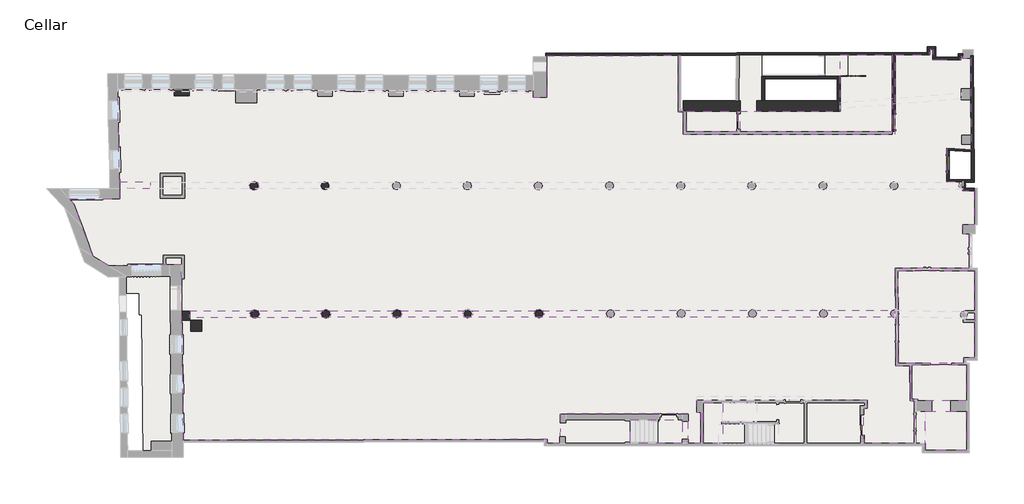
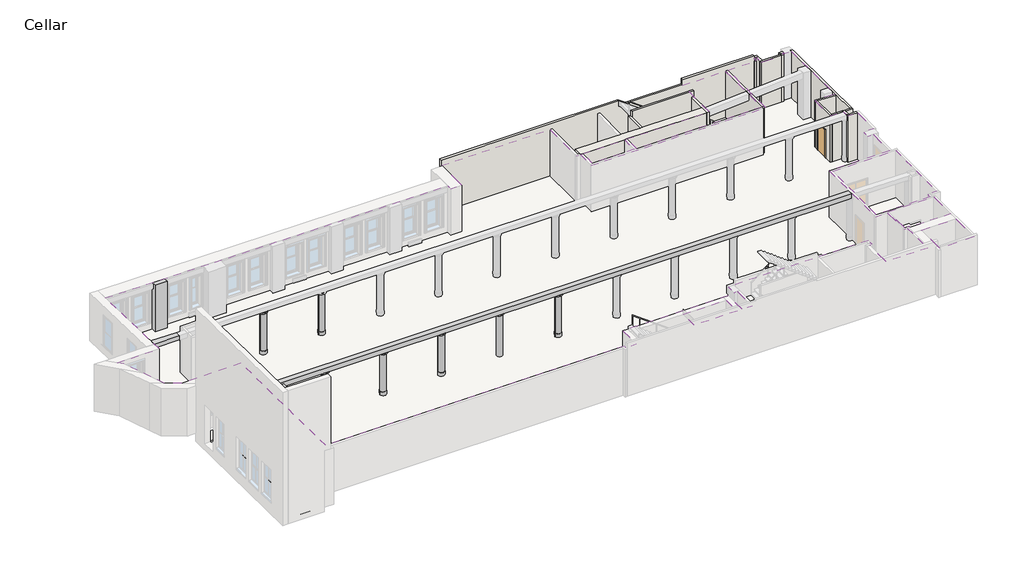
# One storey, part 3 of 6: 22 columns, 19 walls, 7 coverings, 7 slabs, 2 beams, 2 doors.
"""IFC4 building model written with IfcOpenShell, lengths in millimetres."""

import ifcopenshell
import ifcopenshell.guid

model = None  # the IFC model being written
_history = None  # IfcOwnerHistory: only IFC2X3 demands one
_inside = {}  # id of a spatial element -> (the spatial element, [elements in it])
_under = {}  # id of a project, library or spatial element -> (it, [spatial elements below it])
_declared = {}  # id of a project -> (the project, [libraries it declares])
_typed = {}  # id of a type object -> (the type object, [elements of that type])
_made_of = {}  # id of a material, layer set ... -> (it, [elements and type objects made of it])


def new_model(schema):
    """Start an empty IFC model of exactly this schema.

    Asked for "IFC4X3", IfcOpenShell would pick the latest addendum, in which some entities
    have other attributes; the version numbers below select the first issue.
    IFC2X3 requires an IfcOwnerHistory on every rooted entity: one is made here for all.
    """
    global model, _history
    if schema == "IFC4X3":
        model = ifcopenshell.file(schema_version=(4, 3, 0, 0))
    else:
        model = ifcopenshell.file(schema=schema)
    _inside.clear()
    _under.clear()
    _declared.clear()
    _typed.clear()
    _made_of.clear()
    _history = None
    if model.schema == "IFC2X3":
        org = make("IfcOrganization", Name="unknown")
        user = make(
            "IfcPersonAndOrganization",
            ThePerson=make("IfcPerson", FamilyName="unknown"),
            TheOrganization=org,
        )
        app = make(
            "IfcApplication",
            ApplicationDeveloper=org,
            Version="unknown",
            ApplicationFullName="unknown",
            ApplicationIdentifier="unknown",
        )
        _history = make(
            "IfcOwnerHistory",
            OwningUser=user,
            OwningApplication=app,
            ChangeAction="ADDED",
            CreationDate=0,
        )
    return model


def make(cls, **values):
    """One entity of the class cls with the attributes given. An attribute that is None is left unset."""
    return model.create_entity(
        cls, **{name: value for name, value in values.items() if value is not None}
    )


def rooted(cls, **values):
    """An entity with a GlobalId (a new one), such as an element, a storey or a relation."""
    return make(cls, GlobalId=ifcopenshell.guid.new(), OwnerHistory=_history, **values)


def si_unit(unit_type, name, prefix=None):
    """IfcSIUnit, for example si_unit("LENGTHUNIT", "METRE", prefix="MILLI")."""
    return make("IfcSIUnit", UnitType=unit_type, Prefix=prefix, Name=name)


def assignment(units):
    """IfcUnitAssignment: the units of a project."""
    return None if units is None else make("IfcUnitAssignment", Units=units)


def point(xyz):
    """IfcCartesianPoint."""
    return None if xyz is None else make("IfcCartesianPoint", Coordinates=xyz)


def direction(xyz):
    """IfcDirection."""
    return None if xyz is None else make("IfcDirection", DirectionRatios=xyz)


def frame(location, z_axis=None, x_axis=None):
    """IfcAxis2Placement3D, a coordinate frame: its origin and axes. An axis left out is left unset."""
    return make(
        "IfcAxis2Placement3D",
        Location=point(location),
        Axis=direction(z_axis),
        RefDirection=direction(x_axis),
    )


def frame_2d(location, x_axis=None):
    """IfcAxis2Placement2D, a coordinate frame in the plane: its origin and x axis."""
    return make(
        "IfcAxis2Placement2D", Location=point(location), RefDirection=direction(x_axis)
    )


def origin():
    """The frame at (0, 0, 0) with its axes left unset."""
    return frame((0.0, 0.0, 0.0))


def origin_with_axes():
    """The frame at (0, 0, 0) with the z axis (0, 0, 1) and the x axis (1, 0, 0) written out."""
    return frame((0.0, 0.0, 0.0), z_axis=(0.0, 0.0, 1.0), x_axis=(1.0, 0.0, 0.0))


def origin_2d():
    """The frame at (0, 0) in the plane with its x axis left unset."""
    return frame_2d((0.0, 0.0))


def place(relative_to, where):
    """IfcLocalPlacement: puts the frame where relative to a parent placement (None: the world)."""
    return make(
        "IfcLocalPlacement", PlacementRelTo=relative_to, RelativePlacement=where
    )


def context(
    kind, dimensions, precision=None, world=None, true_north=None, identifier=None
):
    """IfcGeometricRepresentationContext, for example the 3D "Model" context."""
    return make(
        "IfcGeometricRepresentationContext",
        ContextIdentifier=identifier,
        ContextType=kind,
        CoordinateSpaceDimension=dimensions,
        Precision=precision,
        WorldCoordinateSystem=world,
        TrueNorth=true_north,
    )


def project(units=None, contexts=None):
    """IfcProject with its units and contexts."""
    return rooted(
        "IfcProject",
        Name="project",
        RepresentationContexts=contexts,
        UnitsInContext=assignment(units),
    )


def spatial(cls, under=None, at=None, **own):
    """A site, building, storey or space (cls), placed at a placement, below another one or the project."""
    s = rooted(cls, ObjectPlacement=at, **own)
    if under is not None:
        _under.setdefault(under.id(), (under, []))[1].append(s)
    return s


def polyline(points):
    """IfcPolyline through the points."""
    return make("IfcPolyline", Points=[point(p) for p in points])


def circle_curve(where, radius):
    """IfcCircle in the frame where."""
    return make("IfcCircle", Position=where, Radius=radius)


def trimmed(basis, trim1, trim2, sense, master):
    """IfcTrimmedCurve: the piece of a basis curve between two trims."""
    return make(
        "IfcTrimmedCurve",
        BasisCurve=basis,
        Trim1=trim1,
        Trim2=trim2,
        SenseAgreement=sense,
        MasterRepresentation=master,
    )


def segment(curve, same_sense, transition):
    """IfcCompositeCurveSegment."""
    return make(
        "IfcCompositeCurveSegment",
        Transition=transition,
        SameSense=same_sense,
        ParentCurve=curve,
    )


def composite_curve(segments, self_intersect=None):
    """IfcCompositeCurve: segments joined end to end."""
    return make("IfcCompositeCurve", Segments=segments, SelfIntersect=self_intersect)


def outline(outer, holes=None, kind="AREA"):
    """IfcArbitraryClosedProfileDef: a profile drawn as a closed curve; with holes, ...WithVoids."""
    if holes is None:
        return make("IfcArbitraryClosedProfileDef", ProfileType=kind, OuterCurve=outer)
    return make(
        "IfcArbitraryProfileDefWithVoids",
        ProfileType=kind,
        OuterCurve=outer,
        InnerCurves=holes,
    )


def extrude(swept, where, along, depth):
    """IfcExtrudedAreaSolid: the profile swept, set in the frame where, extruded along a direction by depth."""
    return make(
        "IfcExtrudedAreaSolid",
        SweptArea=swept,
        Position=where,
        ExtrudedDirection=direction(along),
        Depth=depth,
    )


def faces_of(points, faces, orient=None, outer=None):
    """IfcFace entities. A face is a list of loops; a loop is a list of indices into points, from 0.

    orient and outer hold one flag for each loop. By default every Orientation is true, the
    first loop of a face is its IfcFaceOuterBound and the others are IfcFaceBound.
    """
    made = []
    for i, loops in enumerate(faces):
        bounds = []
        for j, loop in enumerate(loops):
            is_outer = j == 0 if outer is None else outer[i][j]
            bounds.append(
                make(
                    "IfcFaceOuterBound" if is_outer else "IfcFaceBound",
                    Bound=make("IfcPolyLoop", Polygon=[points[k] for k in loop]),
                    Orientation=True if orient is None else orient[i][j],
                )
            )
        made.append(make("IfcFace", Bounds=bounds))
    return made


def faceted_brep(points, faces, orient=None, outer=None, voids=None):
    """IfcFacetedBrep: a solid bounded by flat faces; with voids (closed shells), ...WithVoids."""
    shared = [point(p) for p in points]
    hull = make("IfcClosedShell", CfsFaces=faces_of(shared, faces, orient, outer))
    if voids is None:
        return make("IfcFacetedBrep", Outer=hull)
    return make(
        "IfcFacetedBrepWithVoids",
        Outer=hull,
        Voids=[
            make(cls, CfsFaces=faces_of(shared, fs, o, b)) for cls, fs, o, b in voids
        ],
    )


def shape(context_of_items, identifier, shape_type, items):
    """IfcShapeRepresentation: the items that make up one representation, for example the "Body"."""
    return make(
        "IfcShapeRepresentation",
        ContextOfItems=context_of_items,
        RepresentationIdentifier=identifier,
        RepresentationType=shape_type,
        Items=items,
    )


def source(mapping_origin, context_of_items, identifier, shape_type, items):
    """IfcRepresentationMap: a shape defined once, which mapped items show again and again."""
    return make(
        "IfcRepresentationMap",
        MappingOrigin=mapping_origin,
        MappedRepresentation=shape(context_of_items, identifier, shape_type, items),
    )


def transform(
    local_origin,
    x_axis=None,
    y_axis=None,
    z_axis=None,
    scale=None,
    scale2=None,
    scale3=None,
    uniform=True,
):
    """IfcCartesianTransformationOperator3D, or its non-uniform kind. x_axis, y_axis, z_axis: its Axis1, 2, 3."""
    if uniform:
        return make(
            "IfcCartesianTransformationOperator3D",
            Axis1=direction(x_axis),
            Axis2=direction(y_axis),
            LocalOrigin=point(local_origin),
            Scale=scale,
            Axis3=direction(z_axis),
        )
    return make(
        "IfcCartesianTransformationOperator3DnonUniform",
        Axis1=direction(x_axis),
        Axis2=direction(y_axis),
        LocalOrigin=point(local_origin),
        Scale=scale,
        Axis3=direction(z_axis),
        Scale2=scale2,
        Scale3=scale3,
    )


def mapped(mapping_source, mapping_target):
    """IfcMappedItem: shows the shape of a source again, moved by a transform."""
    return make(
        "IfcMappedItem", MappingSource=mapping_source, MappingTarget=mapping_target
    )


def made_of(thing, what):
    """Note that an element or type object is made of a material, layer set ...; save() writes the relation."""
    if what is not None:
        _made_of.setdefault(what.id(), (what, []))[1].append(thing)
    return thing


def element(
    cls,
    number,
    at=None,
    inside=None,
    cuts=None,
    type_object=None,
    material=None,
    context=None,
    identifier="Body",
    shape_type=None,
    held_by="IfcProductDefinitionShape",
    body=None,
    shapes=None,
    **own,
):
    """One element of the class cls, such as IfcWall. Its Tag is "e" and its number.

    at: its placement. inside: the storey or other place that contains it. cuts: it is an
    opening in that element (IfcRelVoidsElement). A single representation is given by context,
    identifier, shape_type and body (its items); several are given by shapes. held_by: the class
    of the entity that holds the representations. save() writes the other relations.
    """
    e = rooted(cls, Tag="e%d" % number, ObjectPlacement=at, **own)
    if body is not None:
        shapes = [shape(context, identifier, shape_type, body)]
    if shapes is not None:
        e.Representation = make(held_by, Representations=shapes)
    if inside is not None:
        _inside.setdefault(inside.id(), (inside, []))[1].append(e)
    if cuts is not None:
        rooted(
            "IfcRelVoidsElement", RelatingBuildingElement=cuts, RelatedOpeningElement=e
        )
    if type_object is not None:
        _typed.setdefault(type_object.id(), (type_object, []))[1].append(e)
    return made_of(e, material)


def aggregate(whole, parts):
    """IfcRelAggregates: a whole, such as a stair, and the parts it consists of."""
    return rooted("IfcRelAggregates", RelatingObject=whole, RelatedObjects=parts)


def save(model, path):
    """Write the relations noted so far, then the file.

    IfcRelAggregates (storeys below a building ...), IfcRelContainedInSpatialStructure (elements
    in a storey), IfcRelDefinesByType, IfcRelAssociatesMaterial and IfcRelDeclares: one each for
    every whole, place, type object, material and project.
    """
    for whole, parts in _under.values():
        aggregate(whole, parts)
    for where, things in _inside.values():
        rooted(
            "IfcRelContainedInSpatialStructure",
            RelatedElements=things,
            RelatingStructure=where,
        )
    for kind, things in _typed.values():
        rooted("IfcRelDefinesByType", RelatedObjects=things, RelatingType=kind)
    for what, things in _made_of.values():
        rooted("IfcRelAssociatesMaterial", RelatedObjects=things, RelatingMaterial=what)
    for by, libraries in _declared.values():
        rooted("IfcRelDeclares", RelatingContext=by, RelatedDefinitions=libraries)
    model.write(path)


def column_b42b21a2(model_context):
    return source(origin(), model_context, "Body", "SweptSolid", [
        extrude(outline(composite_curve([segment(trimmed(circle_curve(origin_2d(), 215.9), [point((215.9, 0.0))], [point((-215.9, 0.0))], False, "CARTESIAN"), True, "CONTINUOUS"), segment(trimmed(circle_curve(origin_2d(), 215.9), [point((-215.9, 0.0))], [point((0.0, 215.9))], False, "CARTESIAN"), True, "CONTINUOUS"), segment(trimmed(circle_curve(origin_2d(), 215.9), [point((0.0, 215.9))], [point((215.9, 0.0))], False, "CARTESIAN"), True, "CONTINUOUS")], self_intersect=False)), frame((0.0, 0.0, -4064.0), z_axis=(0.0, 0.0, 1.0), x_axis=(1.0, 0.0, 0.0)), (0.0, 0.0, 1.0), 3225.8),
    ])


def column_76fc2f22(model_context):
    return source(origin(), model_context, "Body", "SweptSolid", [
        extrude(outline(composite_curve([segment(trimmed(circle_curve(origin_2d(), 241.3), [point((241.3, 0.0))], [point((-241.3, 0.0))], False, "CARTESIAN"), True, "CONTINUOUS"), segment(trimmed(circle_curve(origin_2d(), 241.3), [point((-241.3, 0.0))], [point((0.0, 241.3))], False, "CARTESIAN"), True, "CONTINUOUS"), segment(trimmed(circle_curve(origin_2d(), 241.3), [point((0.0, 241.3))], [point((241.3, 0.0))], False, "CARTESIAN"), True, "CONTINUOUS")], self_intersect=False)), frame((0.0, 0.0, -4064.0), z_axis=(0.0, 0.0, 1.0), x_axis=(1.0, 0.0, 0.0)), (0.0, 0.0, 1.0), 279.4),
    ])


def column_56c0cdb6(model_context):
    return source(origin(), model_context, "Body", "SweptSolid", [
        extrude(outline(composite_curve([segment(trimmed(circle_curve(origin_2d(), 292.1), [point((292.1, 0.0))], [point((-292.1, 0.0))], False, "CARTESIAN"), True, "CONTINUOUS"), segment(trimmed(circle_curve(origin_2d(), 292.1), [point((-292.1, 0.0))], [point((0.0, 292.1))], False, "CARTESIAN"), True, "CONTINUOUS"), segment(trimmed(circle_curve(origin_2d(), 292.1), [point((0.0, 292.1))], [point((292.1, 0.0))], False, "CARTESIAN"), True, "CONTINUOUS")], self_intersect=False)), frame((0.0, 0.0, -914.4), z_axis=(0.0, 0.0, 1.0), x_axis=(1.0, 0.0, 0.0)), (0.0, 0.0, 1.0), 76.2),
    ])


def door_a1797ceb(model_context):
    return source(origin(), model_context, "Body", "SweptSolid", [
        extrude(outline(polyline([(2209.8, -533.4), (0.0, -533.4), (0.0, -457.2), (2133.6, -457.2), (2133.6, 457.2), (0.0, 457.2), (0.0, 533.4), (2209.8, 533.4), (2209.8, -533.4)])), frame((0.0, 63.5, 0.0), z_axis=(0.0, 1.0, 0.0), x_axis=(0.0, 0.0, 1.0)), (0.0, 0.0, 1.0), 25.4),
        extrude(outline(polyline([(2209.8, 533.4), (2209.8, -533.4), (0.0, -533.4), (0.0, -457.2), (2133.6, -457.2), (2133.6, 457.2), (0.0, 457.2), (0.0, 533.4), (2209.8, 533.4)])), frame((0.0, -88.9, 0.0), z_axis=(0.0, 1.0, 0.0), x_axis=(0.0, 0.0, 1.0)), (0.0, 0.0, 1.0), 25.4),
        extrude(outline(polyline([(457.2, 12.7), (-457.2, 12.7), (-457.2, 63.5), (457.2, 63.5), (457.2, 12.7)])), origin_with_axes(), (0.0, 0.0, 1.0), 2133.6),
    ])


def door_d7907053(model_context):
    return source(origin(), model_context, "Body", "SweptSolid", [
        extrude(outline(polyline([(2209.8, -533.4), (0.0, -533.4), (0.0, -457.2), (2133.6, -457.2), (2133.6, 457.2), (0.0, 457.2), (0.0, 533.4), (2209.8, 533.4), (2209.8, -533.4)])), frame((0.0, -111.125, 0.0), z_axis=(0.0, 1.0, 0.0), x_axis=(0.0, 0.0, 1.0)), (0.0, 0.0, 1.0), 25.4),
        extrude(outline(polyline([(2209.8, 533.4), (2209.8, -533.4), (0.0, -533.4), (0.0, -457.2), (2133.6, -457.2), (2133.6, 457.2), (0.0, 457.2), (0.0, 533.4), (2209.8, 533.4)])), frame((0.0, 85.725, 0.0), z_axis=(0.0, 1.0, 0.0), x_axis=(0.0, 0.0, 1.0)), (0.0, 0.0, 1.0), 25.4),
        extrude(outline(polyline([(457.2, -34.925), (457.2, -85.725), (-457.2, -85.725), (-457.2, -34.925), (457.2, -34.925)])), origin_with_axes(), (0.0, 0.0, 1.0), 2133.6),
    ])


model = new_model("IFC4")

# Units and contexts
model_context = context("Model", 3, world=origin())
ifc_project = project(units=[si_unit("LENGTHUNIT", "METRE", prefix="MILLI")], contexts=[model_context])

# Site, building, storey
site = spatial("IfcSite", under=ifc_project)
building = spatial("IfcBuilding", under=site)
storey = spatial("IfcBuildingStorey", under=building, Name="Cellar", Elevation=-4064.0)

# Beams
placement = place(None, origin())
element("IfcBeam", 1, ObjectType="Concrete-Rectangular Beam : 16 x 12", at=placement, inside=storey, context=model_context, shape_type="SweptSolid", body=[
    extrude(outline(polyline([(4804.4159179, 16980.2878493), (4801.1147074, 16573.8892701), (2974.707388, 16602.7550584), (2981.1296091, 17009.104311), (4804.4159179, 16980.2878493)])), frame((0.0, 0.0, -812.8), z_axis=(0.0, 0.0, 1.0), x_axis=(1.0, 0.0, 0.0)), (0.0, 0.0, 1.0), 304.8),
])
element("IfcBeam", 2, ObjectType="Concrete-Rectangular Beam : 16 x 13", at=placement, inside=storey, context=model_context, shape_type="SweptSolid", body=[
    extrude(outline(polyline([(49031.9695039, 9356.6919522), (49028.5569255, 8950.2896128), (7144.6754302, 8922.6630379), (7144.4073692, 9329.0629495), (49031.9695039, 9356.6919522)])), frame((0.0, 0.0, -838.2), z_axis=(0.0, 0.0, 1.0), x_axis=(1.0, 0.0, 0.0)), (0.0, 0.0, 1.0), 330.2),
])

# Columns
element("IfcColumn", 3, ObjectType="Rectangular Column : 14.25\" x 34\"", at=placement, inside=storey, context=model_context, shape_type="SweptSolid", body=[
    extrude(outline(polyline([(7099.4608211, 22116.2885071), (6235.8608211, 22116.2885071), (6235.8608211, 22478.2385071), (7099.4608211, 22474.8721722), (7099.4608211, 22116.2885071)])), frame((0.0, 0.0, -4121.15), z_axis=(0.0, 0.0, 1.0), x_axis=(1.0, 0.0, 0.0)), (0.0, 0.0, 1.0), 3613.15),
])
element("IfcColumn", 4, ObjectType="Rectangular Column : 18.5\" x 21\"", at=placement, inside=storey, context=model_context, shape_type="SweptSolid", body=[
    extrude(outline(polyline([(6673.942343, 9289.726389), (7143.842343, 9289.726389), (7143.842343, 8756.326389), (6673.942343, 8756.326389), (6673.942343, 9289.726389)])), frame((0.0, 0.0, -4121.15), z_axis=(0.0, 0.0, 1.0), x_axis=(1.0, 0.0, 0.0)), (0.0, 0.0, 1.0), 3613.15),
])
element("IfcColumn", 5, ObjectType="Rectangular Column : 26\" x 26\"", at=placement, inside=storey, context=model_context, shape_type="SweptSolid", body=[
    extrude(outline(polyline([(7200.7168981, 8779.2998437), (7861.1168981, 8779.2998437), (7861.1168981, 8118.8998437), (7200.7168981, 8118.8998437), (7200.7168981, 8779.2998437)])), frame((0.0, 0.0, -4121.15), z_axis=(0.0, 0.0, 1.0), x_axis=(1.0, 0.0, 0.0)), (0.0, 0.0, 1.0), 3613.15),
])
column_shape = column_b42b21a2(model_context)
element("IfcColumn", 6, ObjectType="Round Column : 17\" Diameter", at=placement, inside=storey, context=model_context, shape_type="MappedRepresentation", body=[
    mapped(column_shape, transform((27904.6917127, 9154.2246015, 0.0), x_axis=(1.0, 0.0, 0.0), y_axis=(0.0, 1.0, 0.0), z_axis=(0.0, 0.0, 1.0))),
])
element("IfcColumn", 7, ObjectType="Round Column : 17\" Diameter", at=placement, inside=storey, context=model_context, shape_type="MappedRepresentation", body=[
    mapped(column_shape, transform((23669.2417127, 9157.7636509, 0.0), x_axis=(1.0, 0.0, 0.0), y_axis=(0.0, 1.0, 0.0), z_axis=(0.0, 0.0, 1.0))),
])
element("IfcColumn", 8, ObjectType="Round Column : 17\" Diameter", at=placement, inside=storey, context=model_context, shape_type="MappedRepresentation", body=[
    mapped(column_shape, transform((19452.8417127, 9149.1389013, 0.0), x_axis=(1.0, 0.0, 0.0), y_axis=(0.0, 1.0, 0.0), z_axis=(0.0, 0.0, 1.0))),
])
element("IfcColumn", 9, ObjectType="Round Column : 17\" Diameter", at=placement, inside=storey, context=model_context, shape_type="MappedRepresentation", body=[
    mapped(column_shape, transform((15230.0917127, 9141.0446491, 0.0), x_axis=(1.0, 0.0, 0.0), y_axis=(0.0, 1.0, 0.0), z_axis=(0.0, 0.0, 1.0))),
])
element("IfcColumn", 10, ObjectType="Round Column : 17\" Diameter", at=placement, inside=storey, context=model_context, shape_type="MappedRepresentation", body=[
    mapped(column_shape, transform((11000.9917127, 9138.7136509, 0.0), x_axis=(1.0, 0.0, 0.0), y_axis=(0.0, 1.0, 0.0), z_axis=(0.0, 0.0, 1.0))),
])
element("IfcColumn", 11, ObjectType="Round Column : 17\" Diameter", at=placement, inside=storey, context=model_context, shape_type="MappedRepresentation", body=[
    mapped(column_shape, transform((15179.2917127, 16752.3636509, 0.0), x_axis=(1.0, 0.0, 0.0), y_axis=(0.0, 1.0, 0.0), z_axis=(0.0, 0.0, 1.0))),
])
element("IfcColumn", 12, ObjectType="Round Column : 17\" Diameter", at=placement, inside=storey, context=model_context, shape_type="MappedRepresentation", body=[
    mapped(column_shape, transform((10962.8917127, 16752.3636509, 0.0), x_axis=(1.0, 0.0, 0.0), y_axis=(0.0, 1.0, 0.0), z_axis=(0.0, 0.0, 1.0))),
])
element("IfcColumn", 13, ObjectType="Round Column : 19\" Diameter", at=placement, inside=storey, context=model_context, shape_type="SweptSolid", body=[
    extrude(outline(composite_curve([segment(trimmed(circle_curve(frame_2d((15179.2917127, 16752.3636509)), 241.3), [point((15420.5917127, 16752.3636509))], [point((14937.9917127, 16752.3636509))], False, "CARTESIAN"), True, "CONTINUOUS"), segment(trimmed(circle_curve(frame_2d((15179.2917127, 16752.3636509)), 241.3), [point((14937.9917127, 16752.3636509))], [point((15179.2917127, 16993.6636509))], False, "CARTESIAN"), True, "CONTINUOUS"), segment(trimmed(circle_curve(frame_2d((15179.2917127, 16752.3636509)), 241.3), [point((15179.2917127, 16993.6636509))], [point((15420.5917127, 16752.3636509))], False, "CARTESIAN"), True, "CONTINUOUS")], self_intersect=False)), frame((0.0, 0.0, -4064.0), z_axis=(0.0, 0.0, 1.0), x_axis=(1.0, 0.0, 0.0)), (0.0, 0.0, 1.0), 279.4),
])
element("IfcColumn", 14, ObjectType="Round Column : 19\" Diameter", at=placement, inside=storey, context=model_context, shape_type="SweptSolid", body=[
    extrude(outline(composite_curve([segment(trimmed(circle_curve(frame_2d((10962.8917127, 16752.3636509)), 241.3), [point((11204.1917127, 16752.3636509))], [point((10721.5917127, 16752.3636509))], False, "CARTESIAN"), True, "CONTINUOUS"), segment(trimmed(circle_curve(frame_2d((10962.8917127, 16752.3636509)), 241.3), [point((10721.5917127, 16752.3636509))], [point((10962.8917127, 16993.6636509))], False, "CARTESIAN"), True, "CONTINUOUS"), segment(trimmed(circle_curve(frame_2d((10962.8917127, 16752.3636509)), 241.3), [point((10962.8917127, 16993.6636509))], [point((11204.1917127, 16752.3636509))], False, "CARTESIAN"), True, "CONTINUOUS")], self_intersect=False)), frame((0.0, 0.0, -4064.0), z_axis=(0.0, 0.0, 1.0), x_axis=(1.0, 0.0, 0.0)), (0.0, 0.0, 1.0), 279.4),
])
column_2_shape = column_76fc2f22(model_context)
element("IfcColumn", 15, ObjectType="Round Column : 19\" Diameter", at=placement, inside=storey, context=model_context, shape_type="MappedRepresentation", body=[
    mapped(column_2_shape, transform((15231.9774396, 9136.4005297, 0.0), x_axis=(1.0, 0.0, 0.0), y_axis=(0.0, 1.0, 0.0), z_axis=(0.0, 0.0, 1.0))),
])
element("IfcColumn", 16, ObjectType="Round Column : 19\" Diameter", at=placement, inside=storey, context=model_context, shape_type="MappedRepresentation", body=[
    mapped(column_2_shape, transform((11000.9917127, 9138.7136509, 0.0), x_axis=(1.0, 0.0, 0.0), y_axis=(0.0, 1.0, 0.0), z_axis=(0.0, 0.0, 1.0))),
])
element("IfcColumn", 17, ObjectType="Round Column : 19\" Diameter", at=placement, inside=storey, context=model_context, shape_type="MappedRepresentation", body=[
    mapped(column_2_shape, transform((19452.8417127, 9149.1389013, 0.0), x_axis=(1.0, 0.0, 0.0), y_axis=(0.0, 1.0, 0.0), z_axis=(0.0, 0.0, 1.0))),
])
element("IfcColumn", 18, ObjectType="Round Column : 19\" Diameter", at=placement, inside=storey, context=model_context, shape_type="MappedRepresentation", body=[
    mapped(column_2_shape, transform((27904.6917127, 9154.2246015, 0.0), x_axis=(1.0, 0.0, 0.0), y_axis=(0.0, 1.0, 0.0), z_axis=(0.0, 0.0, 1.0))),
])
column_3_shape = column_56c0cdb6(model_context)
element("IfcColumn", 19, ObjectType="Round Column : 22\" Diameter", at=placement, inside=storey, context=model_context, shape_type="MappedRepresentation", body=[
    mapped(column_3_shape, transform((11000.9917127, 9138.7136509, 0.0), x_axis=(1.0, 0.0, 0.0), y_axis=(0.0, 1.0, 0.0), z_axis=(0.0, 0.0, 1.0))),
])
element("IfcColumn", 20, ObjectType="Round Column : 22\" Diameter", at=placement, inside=storey, context=model_context, shape_type="MappedRepresentation", body=[
    mapped(column_3_shape, transform((15230.0917127, 9141.0446491, 0.0), x_axis=(1.0, 0.0, 0.0), y_axis=(0.0, 1.0, 0.0), z_axis=(0.0, 0.0, 1.0))),
])
element("IfcColumn", 21, ObjectType="Round Column : 22\" Diameter", at=placement, inside=storey, context=model_context, shape_type="MappedRepresentation", body=[
    mapped(column_3_shape, transform((19452.8417127, 9149.1389013, 0.0), x_axis=(1.0, 0.0, 0.0), y_axis=(0.0, 1.0, 0.0), z_axis=(0.0, 0.0, 1.0))),
])
element("IfcColumn", 22, ObjectType="Round Column : 22\" Diameter", at=placement, inside=storey, context=model_context, shape_type="MappedRepresentation", body=[
    mapped(column_3_shape, transform((23669.2417127, 9157.7636509, 0.0), x_axis=(1.0, 0.0, 0.0), y_axis=(0.0, 1.0, 0.0), z_axis=(0.0, 0.0, 1.0))),
])
element("IfcColumn", 23, ObjectType="Round Column : 22\" Diameter", at=placement, inside=storey, context=model_context, shape_type="MappedRepresentation", body=[
    mapped(column_3_shape, transform((27904.6917127, 9154.2246015, 0.0), x_axis=(1.0, 0.0, 0.0), y_axis=(0.0, 1.0, 0.0), z_axis=(0.0, 0.0, 1.0))),
])
element("IfcColumn", 24, ObjectType="Round Column : 22\" Diameter", at=placement, inside=storey, context=model_context, shape_type="MappedRepresentation", body=[
    mapped(column_3_shape, transform((10962.8917127, 16752.3636509, 0.0), x_axis=(1.0, 0.0, 0.0), y_axis=(0.0, 1.0, 0.0), z_axis=(0.0, 0.0, 1.0))),
])

# Coverings
element("IfcCovering", 25, ObjectType="2\"", at=placement, inside=storey, context=model_context, shape_type="SweptSolid", body=[
    extrude(outline(polyline([(27555.1547697, 22395.1353552), (27555.1547697, 22016.4344995), (28355.2547697, 22016.4344995), (28355.2547697, 24477.2341322), (36179.3408858, 24501.2570624), (36179.3408858, 21188.8193307), (36471.4408858, 21188.8193307), (36471.4408858, 19816.8120101), (49072.0581087, 19816.8120101), (49072.0581087, 24540.8426243), (51129.5227409, 24547.1598259), (51129.5227409, 24877.3598259), (51307.3227409, 24877.3598259), (51307.3227409, 24236.0098259), (52958.3227409, 24236.0098259), (52958.3227409, 24451.9098259), (53085.3227409, 24451.9098259), (53085.3227409, 24330.3957223), (53542.7243918, 24330.3957223), (53583.3602803, 18906.4846443), (52137.7734497, 18982.2446399), (52137.7734497, 17006.9930954), (53076.1161862, 16983.4056037), (53076.1161862, 16450.0457223), (53793.6661862, 16450.0457223), (53793.6661862, 14430.7457223), (53065.567452, 14430.7457223), (53065.567452, 13910.0457223), (53457.2863196, 13910.0457223), (53457.2863196, 11847.9566554), (49078.5423251, 11847.9566554), (49097.5625906, 6063.7516631), (49940.2750328, 6063.7516631), (49960.4110831, 3971.605984), (50196.0917866, 3971.605984), (50196.0917866, 1453.9573887), (47217.1809306, 1453.9573887), (47190.0340884, 3522.1727731), (47393.2340884, 3522.1727731), (47393.2340884, 4019.3573887), (37267.0330412, 4019.3573887), (37267.0330412, 3308.1573887), (37508.3330412, 3308.1573887), (37508.3330412, 1453.9573887), (36771.7330412, 1453.9573887), (36771.7330412, 3193.5923935), (29163.0484831, 3193.5923935), (29132.6830412, 1453.9573887), (28374.0390531, 1453.9573887), (28374.0390531, 1683.5091891), (6753.0556428, 1643.0213684), (6645.348642, 12069.0110881), (2342.5556934, 12007.9526336), (1389.648567, 12590.5734653), (263.8662784, 15683.6348823), (-23.1646679, 15991.4378879), (2997.4252931, 15991.4378879), (2860.1201447, 22491.3972304), (27555.1547697, 22395.1353552)])), frame((0.0, 0.0, -508.0), z_axis=(0.0, 0.0, 1.0), x_axis=(1.0, 0.0, 0.0)), (0.0, 0.0, 1.0), 50.8),
])
element("IfcCovering", 26, ObjectType="2\"", at=placement, inside=storey, context=model_context, shape_type="SweptSolid", body=[
    extrude(outline(polyline([(39671.8408858, 21188.8193307), (39671.8408858, 19969.2120101), (36642.8908858, 19969.2120101), (36642.8908858, 21188.8193307), (39671.8408858, 21188.8193307)])), frame((0.0, 0.0, -508.0), z_axis=(0.0, 0.0, 1.0), x_axis=(1.0, 0.0, 0.0)), (0.0, 0.0, 1.0), 50.8),
])
element("IfcCovering", 27, ObjectType="2\"", at=placement, inside=storey, context=model_context, shape_type="SweptSolid", body=[
    extrude(outline(polyline([(45784.4264761, 21188.8193307), (45784.4264761, 24533.5001568), (48900.6081087, 24533.5001568), (48900.6081087, 19969.2120101), (39843.2908858, 19969.2120101), (39843.2908858, 21188.8193307), (45784.4264761, 21188.8193307)])), frame((0.0, 0.0, -508.0), z_axis=(0.0, 0.0, 1.0), x_axis=(1.0, 0.0, 0.0)), (0.0, 0.0, 1.0), 50.8),
])
element("IfcCovering", 28, ObjectType="2\"", at=placement, inside=storey, context=model_context, shape_type="SweptSolid", body=[
    extrude(outline(polyline([(53800.1863196, 11695.5566554), (53800.1863196, 6533.6516631), (53127.0863196, 6533.6516631), (53127.0863196, 6216.1516631), (49249.4622759, 6216.1516631), (49231.4442876, 11695.5566554), (53800.1863196, 11695.5566554)])), frame((0.0, 0.0, -508.0), z_axis=(0.0, 0.0, 1.0), x_axis=(1.0, 0.0, 0.0)), (0.0, 0.0, 1.0), 50.8),
])
element("IfcCovering", 29, ObjectType="2\"", at=placement, inside=storey, context=model_context, shape_type="SweptSolid", body=[
    extrude(outline(polyline([(53326.1830412, 6120.9016631), (53326.1830412, 3969.6358037), (50391.0449176, 3969.6358037), (50391.0449176, 4066.855984), (50054.7487521, 4066.855984), (50034.9793989, 6120.9016631), (53326.1830412, 6120.9016631)])), frame((0.0, 0.0, -508.0), z_axis=(0.0, 0.0, 1.0), x_axis=(1.0, 0.0, 0.0)), (0.0, 0.0, 1.0), 50.8),
])
element("IfcCovering", 30, ObjectType="2\"", at=placement, inside=storey, context=model_context, shape_type="SweptSolid", body=[
    extrude(outline(polyline([(53326.1830412, 3347.3358037), (53326.1830412, 1041.2073887), (50837.4417866, 1041.2073887), (50837.4417866, 3347.3358037), (53326.1830412, 3347.3358037)])), frame((0.0, 0.0, -508.0), z_axis=(0.0, 0.0, 1.0), x_axis=(1.0, 0.0, 0.0)), (0.0, 0.0, 1.0), 50.8),
])
element("IfcCovering", 31, ObjectType="2\"", at=placement, inside=storey, context=model_context, shape_type="SweptSolid", body=[
    extrude(outline(polyline([(33312.5517692, 1453.9573887), (33312.5517692, 2844.3423935), (36416.1330412, 2844.3423935), (36416.1330412, 1453.9573887), (33312.5517692, 1453.9573887)])), frame((0.0, 0.0, -508.0), z_axis=(0.0, 0.0, 1.0), x_axis=(1.0, 0.0, 0.0)), (0.0, 0.0, 1.0), 50.8),
])

# Doors
door_shape = door_a1797ceb(model_context)
element("IfcDoor", 32, ObjectType="Single-Flush : 36\" x 84\"", at=placement, inside=storey, context=model_context, shape_type="MappedRepresentation", body=[
    mapped(door_shape, transform((52201.2734497, 18095.881144, -4089.4), x_axis=(0.0, 1.0, 0.0), y_axis=(-1.0, 0.0, 0.0), z_axis=(0.0, 0.0, 1.0))),
])
door_2_shape = door_d7907053(model_context)
element("IfcDoor", 33, ObjectType="Single-Flush : 36\" x 84\"", at=placement, inside=storey, context=model_context, shape_type="MappedRepresentation", body=[
    mapped(door_2_shape, transform((48986.3331087, 20546.8485997, -4089.4), x_axis=(0.0, -1.0, 0.0), y_axis=(1.0, 0.0, 0.0), z_axis=(0.0, 0.0, 1.0))),
])

# Slabs
element("IfcSlab", 34, ObjectType="Generic - 3.5\"", at=placement, inside=storey, context=model_context, shape_type="SweptSolid", body=[
    extrude(outline(polyline([(38818.4631718, 3866.9573887), (38818.4631718, 2719.9331025), (38770.4716641, 2719.6942632), (38771.0720954, 2599.0457573), (38808.9412199, 2599.2342205), (38808.9412199, 1453.9573887), (37660.7330412, 1453.9573887), (37660.7330412, 3866.9573887), (38818.4631718, 3866.9573887)])), frame((0.0, 0.0, -1682.75), z_axis=(0.0, 0.0, 1.0), x_axis=(1.0, 0.0, 0.0)), (0.0, 0.0, 1.0), 88.9),
])
element("IfcSlab", 35, ObjectType="Generic - 4\"", at=placement, inside=storey, context=model_context, shape_type="SweptSolid", body=[
    extrude(outline(polyline([(44864.4101274, 24527.9235393), (46255.0601274, 24532.1933655), (46255.0601274, 23253.1054509), (45784.4264761, 23253.1054509), (45784.4264761, 23277.1696018), (44864.4101274, 23277.1696018), (44864.4101274, 24527.9235393)])), frame((0.0, 0.0, -3073.4), z_axis=(0.0, 0.0, 1.0), x_axis=(1.0, 0.0, 0.0)), (0.0, 0.0, 1.0), 101.6),
])
element("IfcSlab", 36, ObjectType="Generic - 4\"", at=placement, inside=storey, context=model_context, shape_type="SweptSolid", body=[
    extrude(outline(polyline([(27555.1547697, 22395.1353552), (27555.1547697, 22016.4344995), (28355.2547697, 22016.4344995), (28355.2547697, 24477.2341322), (36179.3408858, 24501.2570624), (36179.3408858, 21156.6620101), (36471.4408858, 21156.6620101), (36471.4408858, 19816.8120101), (48898.3908858, 19816.8120101), (48898.3908858, 20000.7485997), (49072.0581087, 20000.7485997), (49072.0581087, 24540.8426243), (51129.5227409, 24547.1598259), (51129.5227409, 24877.3598259), (51307.3227409, 24877.3598259), (51307.3227409, 24236.0098259), (52958.3227409, 24236.0098259), (52958.3227409, 24451.9098259), (53085.3227409, 24451.9098259), (53085.3227409, 24330.3957223), (53542.7243918, 24330.3957223), (53583.3602803, 18906.4846443), (52137.7734497, 18982.2446399), (52137.7734497, 17006.9930954), (53076.1161862, 16983.4056037), (53076.1161862, 16450.0457223), (53793.6661862, 16450.0457223), (53793.6661862, 14430.7457223), (53065.567452, 14430.7457223), (53065.567452, 13910.0457223), (53457.2863196, 13910.0457223), (53457.2863196, 11847.9566554), (49078.5423251, 11847.9566554), (49097.5625906, 6063.7516631), (49940.2750328, 6063.7516631), (49960.4110831, 3971.605984), (50196.0917866, 3971.605984), (50196.0917866, 1453.9573887), (28374.0390531, 1453.9573887), (28374.0390531, 1683.5091891), (6753.0556428, 1643.0213684), (6645.348642, 12069.0110881), (2342.5556934, 12007.9526336), (1389.648567, 12590.5734653), (263.8662784, 15683.6348823), (-23.1646679, 15991.4378879), (2997.4252931, 15991.4378879), (2860.1201447, 22491.3972304), (27555.1547697, 22395.1353552)])), frame((0.0, 0.0, -4165.6), z_axis=(0.0, 0.0, 1.0), x_axis=(1.0, 0.0, 0.0)), (0.0, 0.0, 1.0), 101.6),
])
element("IfcSlab", 37, ObjectType="Generic - 4\"", at=placement, inside=storey, context=model_context, shape_type="SweptSolid", body=[
    extrude(outline(polyline([(41143.6046334, 21811.1193307), (40839.2363521, 21811.1193307), (40839.2363521, 21188.8193307), (45784.4264761, 21188.8193307), (45784.4264761, 24530.7483406), (48900.6081087, 24540.3162074), (48900.6081087, 21004.0485997), (49072.0581087, 21004.0485997), (49072.0581087, 20089.6485997), (48900.6081087, 20089.6485997), (48900.6081087, 19969.2120101), (36642.8908858, 19969.2120101), (36642.8908858, 21188.8193307), (39671.8408858, 21188.8193307), (39671.8408858, 21029.6620101), (39843.2908858, 21029.6620101), (39843.2908858, 21188.8193307), (39870.0943523, 21188.8193307), (39870.0943523, 21811.1193307), (39753.9514154, 21811.1193307), (39801.1020478, 24512.3772513), (41143.6046334, 24516.4992466), (41143.6046334, 21811.1193307)])), frame((0.0, 0.0, -4165.6), z_axis=(0.0, 0.0, 1.0), x_axis=(1.0, 0.0, 0.0)), (0.0, 0.0, 1.0), 101.6),
])
element("IfcSlab", 38, ObjectType="Generic - 4\"", at=placement, inside=storey, context=model_context, shape_type="SweptSolid", body=[
    extrude(outline(polyline([(53800.1863196, 11695.5566554), (53800.1863196, 6533.6516631), (53127.0863196, 6533.6516631), (53127.0863196, 6216.1516631), (52438.7848051, 6216.1516631), (52438.7848051, 6120.9016631), (51144.8486694, 6120.9016631), (51144.8486694, 6216.1516631), (49249.4622759, 6216.1516631), (49231.4442876, 11695.5566554), (53800.1863196, 11695.5566554)])), frame((0.0, 0.0, -4216.4), z_axis=(0.0, 0.0, 1.0), x_axis=(1.0, 0.0, 0.0)), (0.0, 0.0, 1.0), 101.6),
])
element("IfcSlab", 39, ObjectType="Generic - 4\"", at=placement, inside=storey, context=model_context, shape_type="SweptSolid", body=[
    extrude(outline(polyline([(53326.1830412, 6120.9016631), (53326.1830412, 3969.6358037), (52355.4262352, 3969.6358037), (52355.4262352, 3347.3358037), (53326.1830412, 3347.3358037), (53326.1830412, 1041.2073887), (50836.9830412, 1041.2073887), (50836.9830412, 1453.9573887), (50291.3417866, 1453.9573887), (50291.3417866, 3347.3358037), (51247.3921477, 3347.3358037), (51247.3921477, 3969.6358037), (50391.0449176, 3969.6358037), (50391.0449176, 4066.855984), (50054.7487521, 4066.855984), (50034.9793989, 6120.9016631), (53326.1830412, 6120.9016631)])), frame((0.0, 0.0, -4216.4), z_axis=(0.0, 0.0, 1.0), x_axis=(1.0, 0.0, 0.0)), (0.0, 0.0, 1.0), 101.6),
])
element("IfcSlab", 40, ObjectType="Generic - 4\"", at=placement, inside=storey, context=model_context, shape_type="SweptSolid", body=[
    extrude(outline(polyline([(5966.6969922, 11373.5116881), (6077.8441397, 614.5173008), (4368.6471592, 614.5173008), (4281.0100347, 9097.7519268), (4128.6100347, 9097.7519268), (4128.6100347, 10367.7519268), (3366.6100347, 10367.7519268), (3358.2246544, 11336.4963607), (5966.6969922, 11373.5116881)])), frame((0.0, 0.0, -4413.25), z_axis=(0.0, 0.0, 1.0), x_axis=(1.0, 0.0, 0.0)), (0.0, 0.0, 1.0), 101.6),
])

# Walls
element("IfcWall", 41, ObjectType="Generic - 24.5\"", at=placement, inside=storey, context=model_context, shape_type="Brep", body=[
    faceted_brep([(45612.9764761, 21811.1193307, -4121.15), (41315.0546334, 21811.1193307, -4121.15), (41143.6046334, 21811.1193307, -4121.15), (39753.9514154, 21811.1193307, -4121.15), (39582.4752987, 21811.1193307, -4121.15), (36471.4408858, 21811.1193307, -4121.15), (36471.4408858, 21811.1193307, -508.0), (39582.4752987, 21811.1193307, -508.0), (39753.9514154, 21811.1193307, -508.0), (41143.6046334, 21811.1193307, -508.0), (41315.0546334, 21811.1193307, -508.0), (45612.9764761, 21811.1193307, -508.0), (40839.2363521, 21811.1193307, -1873.25), (39870.0943523, 21811.1193307, -1873.25), (39870.0943523, 21811.1193307, -4089.4), (40839.2363521, 21811.1193307, -4089.4), (36471.4408858, 21188.8193307, -4121.15), (36642.8908858, 21188.8193307, -4121.15), (39671.8408858, 21188.8193307, -4121.15), (39843.2908858, 21188.8193307, -4121.15), (45612.9764761, 21188.8193307, -4121.15), (45612.9764761, 21188.8193307, -508.0), (39843.2908858, 21188.8193307, -508.0), (39671.8408858, 21188.8193307, -508.0), (36642.8908858, 21188.8193307, -508.0), (36471.4408858, 21188.8193307, -508.0), (39870.0943523, 21188.8193307, -1873.25), (40839.2363521, 21188.8193307, -1873.25), (40839.2363521, 21188.8193307, -4089.4), (39870.0943523, 21188.8193307, -4089.4), (36471.4408858, 21309.0620101, -4121.15), (36471.4408858, 21309.0620101, -508.0)], [[[0, 1, 2, 3, 4, 5, 6, 7, 8, 9, 10, 11], [12, 13, 14, 15]], [[16, 17, 18, 19, 20, 21, 22, 23, 24, 25], [26, 27, 28, 29]], [[5, 4, 3, 2, 1, 0, 20, 19, 18, 17, 16, 30]], [[11, 10, 9, 8, 7, 6, 31, 25, 24, 23, 22, 21]], [[0, 11, 21, 20]], [[6, 5, 30, 16, 25, 31]], [[12, 27, 26, 13]], [[14, 29, 28, 15]], [[27, 12, 15, 28]], [[13, 26, 29, 14]]]),
])
element("IfcWall", 42, ObjectType="Generic - 5\"", at=placement, inside=storey, context=model_context, shape_type="Brep", body=[
    faceted_brep([(53583.3602803, 18906.4846443, -4121.15), (52137.7734497, 18982.2446399, -4121.15), (52137.7734497, 18982.2446399, -508.0), (53583.3602803, 18906.4846443, -508.0), (53584.313443, 18779.2604032, -4121.15), (53584.313443, 18779.2604032, -508.0), (52264.7734497, 18848.414564, -508.0), (52137.7734497, 18855.0703519, -508.0), (52137.7734497, 18855.0703519, -4121.15), (52264.7734497, 18848.414564, -4121.15)], [[[0, 1, 2, 3]], [[4, 5, 6, 7, 8, 9]], [[1, 0, 4, 9, 8]], [[3, 2, 7, 6, 5]], [[0, 3, 5, 4]], [[2, 1, 8, 7]]]),
])
element("IfcWall", 43, ObjectType="Generic - 5\"", at=placement, inside=storey, context=model_context, shape_type="Brep", body=[
    faceted_brep([(52137.7734497, 18855.0703519, -4121.15), (52137.7734497, 17006.9930954, -4121.15), (52137.7734497, 17006.9930954, -508.0), (52137.7734497, 18855.0703519, -508.0), (52137.7734497, 17638.681144, -4089.4), (52137.7734497, 18553.081144, -4089.4), (52137.7734497, 18553.081144, -1955.8), (52137.7734497, 17638.681144, -1955.8), (52264.7734497, 18848.414564, -4121.15), (52264.7734497, 18848.414564, -508.0), (52264.7734497, 17130.8407648, -508.0), (52264.7734497, 17003.8006463, -508.0), (52264.7734497, 17003.8006463, -4121.15), (52264.7734497, 17130.8407648, -4121.15), (52264.7734497, 17638.681144, -4089.4), (52264.7734497, 17638.681144, -1955.8), (52264.7734497, 18553.081144, -1955.8), (52264.7734497, 18553.081144, -4089.4)], [[[0, 1, 2, 3], [4, 5, 6, 7]], [[8, 9, 10, 11, 12, 13], [14, 15, 16, 17]], [[1, 0, 8, 13, 12]], [[3, 2, 11, 10, 9]], [[0, 3, 9, 8]], [[2, 1, 12, 11]], [[5, 4, 14, 17]], [[6, 5, 17, 16]], [[7, 6, 16, 15]], [[4, 7, 15, 14]]]),
])
element("IfcWall", 44, ObjectType="Generic - 5\"", at=placement, inside=storey, context=model_context, shape_type="SweptSolid", body=[
    extrude(outline(polyline([(52264.7734497, 17130.8407648), (53078.5711302, 17110.3840114), (53075.3796893, 16983.4241174), (52264.7734497, 17003.8006463), (52264.7734497, 17130.8407648)])), frame((0.0, 0.0, -4121.15), z_axis=(0.0, 0.0, 1.0), x_axis=(1.0, 0.0, 0.0)), (0.0, 0.0, 1.0), 3613.15),
])
element("IfcWall", 45, ObjectType="Generic - 6\"", at=placement, inside=storey, context=model_context, shape_type="Brep", body=[
    faceted_brep([(53793.6661862, 16602.4457223, -4121.15), (53228.5161862, 16602.4457223, -4121.15), (53076.1161862, 16602.4457223, -4121.15), (53076.1161862, 16602.4457223, -508.0), (53228.5161862, 16602.4457223, -508.0), (53793.6661862, 16602.4457223, -508.0), (53793.6661862, 16450.0457223, -4121.15), (53793.6661862, 16450.0457223, -508.0), (53076.1161862, 16450.0457223, -508.0), (53076.1161862, 16450.0457223, -4121.15)], [[[0, 1, 2, 3, 4, 5]], [[6, 7, 8, 9]], [[2, 1, 0, 6, 9]], [[5, 4, 3, 8, 7]], [[3, 2, 9, 8]], [[0, 5, 7, 6]]]),
])
element("IfcWall", 46, ObjectType="Generic - 6\"", at=placement, inside=storey, context=model_context, shape_type="Brep", body=[
    faceted_brep([(53228.5161862, 16602.4457223, -4121.15), (53228.5161862, 16958.0457223, -4121.15), (53228.5161862, 17110.4457223, -4121.15), (53228.5161862, 17110.4457223, -508.0), (53228.5161862, 16958.0457223, -508.0), (53228.5161862, 16602.4457223, -508.0), (53228.5161862, 16602.4457223, -838.2), (53228.5161862, 16602.4457223, -914.4), (53076.1161862, 16602.4457223, -4121.15), (53076.1161862, 16602.4457223, -508.0), (53076.1161862, 17110.4457223, -508.0), (53076.1161862, 17110.4457223, -4121.15)], [[[0, 1, 2, 3, 4, 5, 6, 7]], [[8, 9, 10, 11]], [[2, 1, 0, 8, 11]], [[5, 4, 3, 10, 9]], [[0, 7, 6, 5, 9, 8]], [[3, 2, 11, 10]]]),
])
element("IfcWall", 47, ObjectType="Generic - 6\"", at=placement, inside=storey, context=model_context, shape_type="Brep", body=[
    faceted_brep([(53228.5161862, 16958.0457223, -4121.15), (53750.3622425, 16958.0457223, -4121.15), (53750.3622425, 16958.0457223, -508.0), (53228.5161862, 16958.0457223, -508.0), (53228.5161862, 17110.4457223, -4121.15), (53228.5161862, 17110.4457223, -508.0), (53596.8161862, 17110.4457223, -508.0), (53749.2204632, 17110.4457223, -508.0), (53749.2204632, 17110.4457223, -4121.15), (53596.8161862, 17110.4457223, -4121.15)], [[[0, 1, 2, 3]], [[4, 5, 6, 7, 8, 9]], [[1, 0, 4, 9, 8]], [[3, 2, 7, 6, 5]], [[0, 3, 5, 4]], [[2, 1, 8, 7]]]),
])
element("IfcWall", 48, ObjectType="Generic - 6\"", at=placement, inside=storey, context=model_context, shape_type="Brep", body=[
    faceted_brep([(53749.2204632, 17110.4457223, -4121.15), (53731.2541411, 19508.5164301, -4121.15), (53729.4771962, 19745.6957223, -4121.15), (53694.9227409, 24357.8821466, -4121.15), (53694.0358444, 24476.2614364, -4121.15), (53694.0358444, 24476.2614364, -508.0), (53694.9227409, 24357.8821466, -508.0), (53729.4771962, 19745.6957223, -508.0), (53731.2541411, 19508.5164301, -508.0), (53749.2204632, 17110.4457223, -508.0), (53596.8161862, 17110.4457223, -4121.15), (53596.8161862, 17110.4457223, -508.0), (53584.313443, 18779.2604032, -508.0), (53583.3602803, 18906.4846443, -508.0), (53580.9739984, 19224.9957223, -508.0), (53577.0729191, 19745.6957223, -508.0), (53561.135583, 21872.9457223, -508.0), (53556.1878727, 22533.3457223, -508.0), (53542.7243918, 24330.3957223, -508.0), (53541.6401213, 24475.1196892, -508.0), (53541.6401213, 24475.1196892, -4121.15), (53542.7243918, 24330.3957223, -4121.15), (53556.1878727, 22533.3457223, -4121.15), (53561.135583, 21872.9457223, -4121.15), (53577.0729191, 19745.6957223, -4121.15), (53580.9739984, 19224.9957223, -4121.15), (53583.3602803, 18906.4846443, -4121.15), (53584.313443, 18779.2604032, -4121.15)], [[[0, 1, 2, 3, 4, 5, 6, 7, 8, 9]], [[10, 11, 12, 13, 14, 15, 16, 17, 18, 19, 20, 21, 22, 23, 24, 25, 26, 27]], [[4, 3, 2, 1, 0, 10, 27, 26, 25, 24, 23, 22, 21, 20]], [[5, 4, 20, 19]], [[9, 8, 7, 6, 5, 19, 18, 17, 16, 15, 14, 13, 12, 11]], [[0, 9, 11, 10]]]),
])
element("IfcWall", 49, ObjectType="Generic - 6\"", at=placement, inside=storey, context=model_context, shape_type="Brep", body=[
    faceted_brep([(53085.3227409, 24604.3098259, -4121.15), (52805.9227409, 24604.3098259, -4121.15), (52805.9227409, 24604.3098259, -508.0), (53085.3227409, 24604.3098259, -508.0), (53085.3227409, 24451.9098259, -4121.15), (53085.3227409, 24451.9098259, -508.0), (52958.3227409, 24451.9098259, -508.0), (52805.9227409, 24451.9098259, -508.0), (52805.9227409, 24451.9098259, -4121.15), (52958.3227409, 24451.9098259, -4121.15)], [[[0, 1, 2, 3]], [[4, 5, 6, 7, 8, 9]], [[1, 0, 4, 9, 8]], [[3, 2, 7, 6, 5]], [[0, 3, 5, 4]], [[2, 1, 8, 7]]]),
])
element("IfcWall", 50, ObjectType="Generic - 6\"", at=placement, inside=storey, context=model_context, shape_type="Brep", body=[
    faceted_brep([(52805.9227409, 24451.9098259, -4121.15), (52805.9227409, 24388.4098259, -4121.15), (52805.9227409, 24236.0098259, -4121.15), (52805.9227409, 24236.0098259, -508.0), (52805.9227409, 24388.4098259, -508.0), (52805.9227409, 24451.9098259, -508.0), (52958.3227409, 24451.9098259, -4121.15), (52958.3227409, 24451.9098259, -508.0), (52958.3227409, 24236.0098259, -508.0), (52958.3227409, 24236.0098259, -4121.15)], [[[0, 1, 2, 3, 4, 5]], [[6, 7, 8, 9]], [[2, 1, 0, 6, 9]], [[5, 4, 3, 8, 7]], [[0, 5, 7, 6]], [[3, 2, 9, 8]]]),
])
element("IfcWall", 51, ObjectType="Generic - 6\"", at=placement, inside=storey, context=model_context, shape_type="Brep", body=[
    faceted_brep([(52805.9227409, 24388.4098259, -4121.15), (51459.7227409, 24388.4098259, -4121.15), (51307.3227409, 24388.4098259, -4121.15), (51307.3227409, 24388.4098259, -508.0), (51459.7227409, 24388.4098259, -508.0), (52805.9227409, 24388.4098259, -508.0), (52805.9227409, 24236.0098259, -4121.15), (52805.9227409, 24236.0098259, -508.0), (51307.3227409, 24236.0098259, -508.0), (51307.3227409, 24236.0098259, -4121.15)], [[[0, 1, 2, 3, 4, 5]], [[6, 7, 8, 9]], [[2, 1, 0, 6, 9]], [[5, 4, 3, 8, 7]], [[0, 5, 7, 6]], [[3, 2, 9, 8]]]),
])
element("IfcWall", 52, ObjectType="Generic - 6\"", at=placement, inside=storey, context=model_context, shape_type="SweptSolid", body=[
    extrude(outline(polyline([(51459.7227409, 24877.3598259), (51459.7227409, 24388.4098259), (51307.3227409, 24388.4098259), (51307.3227409, 24877.3598259), (51459.7227409, 24877.3598259)])), frame((0.0, 0.0, -4121.15), z_axis=(0.0, 0.0, 1.0), x_axis=(1.0, 0.0, 0.0)), (0.0, 0.0, 1.0), 3613.15),
])
element("IfcWall", 53, ObjectType="Generic - 6\"", at=placement, inside=storey, context=model_context, shape_type="Brep", body=[
    faceted_brep([(51459.7227409, 25029.7598259, -4121.15), (50977.1227409, 25029.7598259, -4121.15), (50977.1227409, 25029.7598259, -508.0), (51459.7227409, 25029.7598259, -508.0), (51459.7227409, 24877.3598259, -4121.15), (51459.7227409, 24877.3598259, -508.0), (51307.3227409, 24877.3598259, -508.0), (51129.5227409, 24877.3598259, -508.0), (50977.1227409, 24877.3598259, -508.0), (50977.1227409, 24877.3598259, -4121.15), (51129.5227409, 24877.3598259, -4121.15), (51307.3227409, 24877.3598259, -4121.15)], [[[0, 1, 2, 3]], [[4, 5, 6, 7, 8, 9, 10, 11]], [[1, 0, 4, 11, 10, 9]], [[3, 2, 8, 7, 6, 5]], [[0, 3, 5, 4]], [[2, 1, 9, 8]]]),
])
element("IfcWall", 54, ObjectType="Generic - 6\"", at=placement, inside=storey, context=model_context, shape_type="Brep", body=[
    faceted_brep([(50977.1227409, 24877.3598259, -4121.15), (50977.1227409, 24699.0926181, -4121.15), (50977.1227409, 24546.6918998, -4121.15), (50977.1227409, 24546.6918998, -508.0), (50977.1227409, 24877.3598259, -508.0), (51129.5227409, 24877.3598259, -4121.15), (51129.5227409, 24877.3598259, -508.0), (51129.5227409, 24547.1598259, -508.0), (51129.5227409, 24547.1598259, -4121.15)], [[[0, 1, 2, 3, 4]], [[5, 6, 7, 8]], [[2, 1, 0, 5, 8]], [[4, 3, 7, 6]], [[0, 4, 6, 5]], [[3, 2, 8, 7]]]),
])
element("IfcWall", 55, ObjectType="Generic - 6\"", at=placement, inside=storey, context=model_context, shape_type="Brep", body=[
    faceted_brep([(50977.1227409, 24699.0926181, -4121.15), (28294.4883593, 24629.4482745, -4121.15), (28294.4883593, 24629.4482745, -76.2), (41180.3749294, 24669.0128637, -76.2), (41727.1702335, 24670.691734, -470.026521), (45784.8683915, 24683.1504158, -470.026521), (45784.8683915, 24683.1504158, -76.2), (50977.1227409, 24699.0926181, -76.2), (50977.1227409, 24546.6918998, -4121.15), (50977.1227409, 24546.6918998, -508.0), (50977.1227409, 24546.6918998, -76.2), (45784.8683915, 24530.7496975, -76.2), (45784.8683915, 24530.7496975, -470.026521), (41727.6381575, 24518.2924523, -470.026521), (41180.8428534, 24516.6135821, -76.2), (28294.9562833, 24477.0489929, -76.2), (28294.9562833, 24477.0489929, -4121.15), (36179.3408858, 24501.2570624, -4121.15), (36331.7408858, 24501.7249886, -4121.15), (39629.6167406, 24511.850726, -4121.15), (39801.1020478, 24512.3772513, -4121.15), (48900.6081087, 24540.3162074, -4121.15), (49072.0581087, 24540.8426243, -4121.15)], [[[0, 1, 2, 3, 4, 5, 6, 7]], [[8, 9, 10, 11, 12, 13, 14, 15, 16, 17, 18, 19, 20, 21, 22]], [[0, 7, 10, 9, 8]], [[1, 0, 8, 22, 21, 20, 19, 18, 17, 16]], [[2, 1, 16, 15]], [[3, 2, 15, 14]], [[4, 3, 14, 13]], [[5, 4, 13, 12]], [[7, 6, 11, 10]], [[6, 5, 12, 11]]]),
])
element("IfcWall", 56, ObjectType="Generic - 6.75\"", at=placement, inside=storey, context=model_context, shape_type="Brep", body=[
    faceted_brep([(48900.6081087, 24540.3162074, -4121.15), (48900.6081087, 20000.7485997, -4121.15), (48900.6081087, 20000.7485997, -508.0), (48900.6081087, 24540.3162074, -508.0), (48900.6081087, 21004.0485997, -4089.4), (48900.6081087, 21004.0485997, -1955.8), (48900.6081087, 20089.6485997, -1955.8), (48900.6081087, 20089.6485997, -4089.4), (49072.0581087, 24540.8426243, -4121.15), (49072.0581087, 24540.8426243, -508.0), (49072.0581087, 20000.7485997, -508.0), (49072.0581087, 20000.7485997, -4121.15), (49072.0581087, 21004.0485997, -4089.4), (49072.0581087, 20089.6485997, -4089.4), (49072.0581087, 20089.6485997, -1955.8), (49072.0581087, 21004.0485997, -1955.8)], [[[0, 1, 2, 3], [4, 5, 6, 7]], [[8, 9, 10, 11], [12, 13, 14, 15]], [[1, 0, 8, 11]], [[2, 1, 11, 10]], [[3, 2, 10, 9]], [[0, 3, 9, 8]], [[13, 12, 4, 7]], [[14, 13, 7, 6]], [[15, 14, 6, 5]], [[12, 15, 5, 4]]]),
])
element("IfcWall", 57, ObjectType="Generic - 6.75\"", at=placement, inside=storey, context=model_context, shape_type="Brep", body=[
    faceted_brep([(45612.9764761, 23277.1696018, -4121.15), (45612.9764761, 23105.7196018, -4121.15), (45612.9764761, 21811.1193307, -4121.15), (45612.9764761, 21188.8193307, -4121.15), (45612.9764761, 21188.8193307, -508.0), (45612.9764761, 21811.1193307, -508.0), (45612.9764761, 23105.7196018, -508.0), (45612.9764761, 23277.1696018, -508.0), (45784.4264761, 23277.1696018, -4121.15), (45784.4264761, 23277.1696018, -508.0), (45784.4264761, 21188.8193307, -508.0), (45784.4264761, 21188.8193307, -4121.15)], [[[0, 1, 2, 3, 4, 5, 6, 7]], [[8, 9, 10, 11]], [[3, 2, 1, 0, 8, 11]], [[7, 6, 5, 4, 10, 9]], [[4, 3, 11, 10]], [[0, 7, 9, 8]]]),
])
element("IfcWall", 58, ObjectType="Generic - 6.75\"", at=placement, inside=storey, context=model_context, shape_type="Brep", body=[
    faceted_brep([(41143.6046334, 23277.1696018, -4121.15), (41143.6046334, 21811.1193307, -4121.15), (41143.6046334, 21811.1193307, -508.0), (41143.6046334, 23277.1696018, -508.0), (41315.0546334, 23277.1696018, -4121.15), (41315.0546334, 23277.1696018, -508.0), (41315.0546334, 21811.1193307, -508.0), (41315.0546334, 21811.1193307, -4121.15), (41315.0546334, 23105.7196018, -4121.15)], [[[0, 1, 2, 3]], [[4, 5, 6, 7, 8]], [[1, 0, 4, 8, 7]], [[3, 2, 6, 5]], [[2, 1, 7, 6]], [[0, 3, 5, 4]]]),
])
element("IfcWall", 59, ObjectType="Generic - 6.75\"", at=placement, inside=storey, context=model_context, shape_type="Brep", body=[
    faceted_brep([(41315.0546334, 23105.7196018, -4121.15), (45612.9764761, 23105.7196018, -4121.15), (45612.9764761, 23105.7196018, -508.0), (45784.8683915, 23105.7196018, -508.0), (45784.8683915, 23105.7196018, -76.2), (41315.0546334, 23105.7196018, -76.2), (41315.0546334, 23277.1696018, -4121.15), (41315.0546334, 23277.1696018, -508.0), (41315.0546334, 23277.1696018, -76.2), (45137.1683915, 23277.1696018, -76.2), (45784.8683915, 23277.1696018, -76.2), (45784.8683915, 23277.1696018, -508.0), (45784.4264761, 23277.1696018, -508.0), (45612.9764761, 23277.1696018, -508.0), (45612.9764761, 23277.1696018, -4121.15), (45784.8683915, 23264.4553673, -76.2)], [[[0, 1, 2, 3, 4, 5]], [[6, 7, 8, 9, 10, 11, 12, 13, 14]], [[1, 0, 6, 14]], [[5, 4, 15, 10, 9, 8]], [[0, 5, 8, 7, 6]], [[11, 3, 2, 13, 12]], [[1, 14, 13, 2]], [[4, 3, 11, 10, 15]]]),
])

save(model, "model.ifc")
